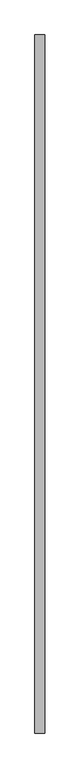
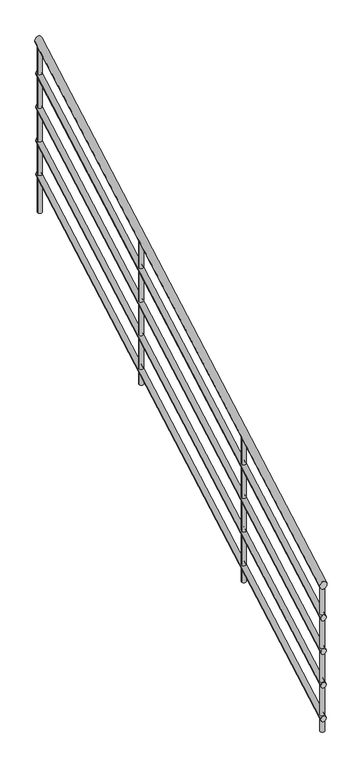
"""IFC4 building model written with IfcOpenShell, lengths in millimetres: railing geometry."""

from ifc_helpers import new_model, si_unit, frame, origin, place, context, project, spatial, circle_curve, ellipse_curve, source, transform, mapped, element, save
from ifc_brep_helpers import plane_surface, cylinder_surface, advanced_brep


def railing_831063ee(model_context):
    return source(origin(), model_context, "Body", "AdvancedBrep", [
        advanced_brep(
        [(-11223.5009188, -3280.1998683, 873.1230188), (-11263.5009188, -3280.1998683, 873.1230188), (-11223.5009188, -6057.2256927, -685.2103146), (-11263.5009188, -6057.2256927, -685.2103146)],
        [
            (0, 1, ellipse_curve(frame((-11243.5009188, -3280.1998683, 873.1230188), z_axis=(0.0, 1.0, 0.0), x_axis=(0.0, 0.0, 1.0)), 22.9337434, 20.0)),
            (1, 0, ellipse_curve(frame((-11243.5009188, -3280.1998683, 873.1230188), z_axis=(0.0, 1.0, 0.0), x_axis=(0.0, 0.0, 1.0)), 22.9337434, 20.0)),
            (2, 3, ellipse_curve(frame((-11243.5009188, -6057.2256927, -685.2103146), z_axis=(0.0, -1.0, 0.0), x_axis=(0.0, 0.0, 1.0)), 22.9337434, 20.0)),
            (3, 2, ellipse_curve(frame((-11243.5009188, -6057.2256927, -685.2103146), z_axis=(0.0, -1.0, 0.0), x_axis=(0.0, 0.0, 1.0)), 22.9337434, 20.0)),
            (0, 2),
            (3, 1),
        ],
        [
            plane_surface(frame((-11243.5009188, -3280.1998683, 896.0567621), z_axis=(0.0, 1.0, 0.0), x_axis=(0.0, 0.0, -1.0))),
            plane_surface(frame((-11243.5009188, -6057.2256927, -662.2765712), z_axis=(0.0, -1.0, 0.0), x_axis=(0.0, 0.0, -1.0))),
            cylinder_surface(frame((-11243.5009188, -3270.41251, 878.6152135), z_axis=(0.0, 0.8720774313473325, 0.4893679124489452), x_axis=(-1.0, 0.0, 0.0)), 20.0),
        ],
        [
            (0, [[1, 2]]),
            (1, [[3, 4]]),
            (2, [[-1, 5, -4, 6]]),
            (2, [[-2, -6, -3, -5]]),
        ],
    ),
        advanced_brep(
        [(-11228.5009188, -3280.1998683, 678.8564546), (-11258.5009188, -3280.1998683, 678.8564546), (-11228.5009188, -6057.2256927, -879.4768787), (-11258.5009188, -6057.2256927, -879.4768787)],
        [
            (0, 1, ellipse_curve(frame((-11243.5009188, -3280.1998683, 678.8564546), z_axis=(0.0, 1.0, 0.0), x_axis=(0.0, 0.0, 1.0)), 17.2003075, 15.0)),
            (1, 0, ellipse_curve(frame((-11243.5009188, -3280.1998683, 678.8564546), z_axis=(0.0, 1.0, 0.0), x_axis=(0.0, 0.0, 1.0)), 17.2003075, 15.0)),
            (2, 3, ellipse_curve(frame((-11243.5009188, -6057.2256927, -879.4768787), z_axis=(0.0, -1.0, 0.0), x_axis=(0.0, 0.0, 1.0)), 17.2003075, 15.0)),
            (3, 2, ellipse_curve(frame((-11243.5009188, -6057.2256927, -879.4768787), z_axis=(0.0, -1.0, 0.0), x_axis=(0.0, 0.0, 1.0)), 17.2003075, 15.0)),
            (0, 2),
            (3, 1),
        ],
        [
            plane_surface(frame((-11243.5009188, -3280.1998683, 696.0567621), z_axis=(0.0, 1.0, 0.0), x_axis=(0.0, 0.0, -1.0))),
            plane_surface(frame((-11243.5009188, -6057.2256927, -862.2765712), z_axis=(0.0, -1.0, 0.0), x_axis=(0.0, 0.0, -1.0))),
            cylinder_surface(frame((-11243.5009188, -3272.8593496, 682.9756007), z_axis=(0.0, 0.8720774313473325, 0.4893679124489452), x_axis=(-1.0, 0.0, 0.0)), 15.0),
        ],
        [
            (0, [[1, 2]]),
            (1, [[3, 4]]),
            (2, [[-1, 5, -4, 6]]),
            (2, [[-2, -6, -3, -5]]),
        ],
    ),
        advanced_brep(
        [(-11228.5009188, -3280.1998683, 478.8564546), (-11258.5009188, -3280.1998683, 478.8564546), (-11228.5009188, -6057.2256927, -1079.4768787), (-11258.5009188, -6057.2256927, -1079.4768787)],
        [
            (0, 1, ellipse_curve(frame((-11243.5009188, -3280.1998683, 478.8564546), z_axis=(0.0, 1.0, 0.0), x_axis=(0.0, 0.0, 1.0)), 17.2003075, 15.0)),
            (1, 0, ellipse_curve(frame((-11243.5009188, -3280.1998683, 478.8564546), z_axis=(0.0, 1.0, 0.0), x_axis=(0.0, 0.0, 1.0)), 17.2003075, 15.0)),
            (2, 3, ellipse_curve(frame((-11243.5009188, -6057.2256927, -1079.4768787), z_axis=(0.0, -1.0, 0.0), x_axis=(0.0, 0.0, 1.0)), 17.2003075, 15.0)),
            (3, 2, ellipse_curve(frame((-11243.5009188, -6057.2256927, -1079.4768787), z_axis=(0.0, -1.0, 0.0), x_axis=(0.0, 0.0, 1.0)), 17.2003075, 15.0)),
            (0, 2),
            (3, 1),
        ],
        [
            plane_surface(frame((-11243.5009188, -3280.1998683, 496.0567621), z_axis=(0.0, 1.0, 0.0), x_axis=(0.0, 0.0, -1.0))),
            plane_surface(frame((-11243.5009188, -6057.2256927, -1062.2765712), z_axis=(0.0, -1.0, 0.0), x_axis=(0.0, 0.0, -1.0))),
            cylinder_surface(frame((-11243.5009188, -3272.8593496, 482.9756007), z_axis=(0.0, 0.8720774313473325, 0.4893679124489452), x_axis=(-1.0, 0.0, 0.0)), 15.0),
        ],
        [
            (0, [[1, 2]]),
            (1, [[3, 4]]),
            (2, [[-1, 5, -4, 6]]),
            (2, [[-2, -6, -3, -5]]),
        ],
    ),
        advanced_brep(
        [(-11228.5009188, -3280.1998683, 278.8564546), (-11258.5009188, -3280.1998683, 278.8564546), (-11228.5009188, -6057.2256927, -1279.4768787), (-11258.5009188, -6057.2256927, -1279.4768787)],
        [
            (0, 1, ellipse_curve(frame((-11243.5009188, -3280.1998683, 278.8564546), z_axis=(0.0, 1.0, 0.0), x_axis=(0.0, 0.0, 1.0)), 17.2003075, 15.0)),
            (1, 0, ellipse_curve(frame((-11243.5009188, -3280.1998683, 278.8564546), z_axis=(0.0, 1.0, 0.0), x_axis=(0.0, 0.0, 1.0)), 17.2003075, 15.0)),
            (2, 3, ellipse_curve(frame((-11243.5009188, -6057.2256927, -1279.4768787), z_axis=(0.0, -1.0, 0.0), x_axis=(0.0, 0.0, 1.0)), 17.2003075, 15.0)),
            (3, 2, ellipse_curve(frame((-11243.5009188, -6057.2256927, -1279.4768787), z_axis=(0.0, -1.0, 0.0), x_axis=(0.0, 0.0, 1.0)), 17.2003075, 15.0)),
            (0, 2),
            (3, 1),
        ],
        [
            plane_surface(frame((-11243.5009188, -3280.1998683, 296.0567621), z_axis=(0.0, 1.0, 0.0), x_axis=(0.0, 0.0, -1.0))),
            plane_surface(frame((-11243.5009188, -6057.2256927, -1262.2765712), z_axis=(0.0, -1.0, 0.0), x_axis=(0.0, 0.0, -1.0))),
            cylinder_surface(frame((-11243.5009188, -3272.8593496, 282.9756007), z_axis=(0.0, 0.8720774313473325, 0.4893679124489452), x_axis=(-1.0, 0.0, 0.0)), 15.0),
        ],
        [
            (0, [[1, 2]]),
            (1, [[3, 4]]),
            (2, [[-1, 5, -4, 6]]),
            (2, [[-2, -6, -3, -5]]),
        ],
    ),
        advanced_brep(
        [(-11228.5009188, -3280.1998683, 78.8564546), (-11258.5009188, -3280.1998683, 78.8564546), (-11228.5009188, -6057.2256927, -1479.4768787), (-11258.5009188, -6057.2256927, -1479.4768787)],
        [
            (0, 1, ellipse_curve(frame((-11243.5009188, -3280.1998683, 78.8564546), z_axis=(0.0, 1.0, 0.0), x_axis=(0.0, 0.0, 1.0)), 17.2003075, 15.0)),
            (1, 0, ellipse_curve(frame((-11243.5009188, -3280.1998683, 78.8564546), z_axis=(0.0, 1.0, 0.0), x_axis=(0.0, 0.0, 1.0)), 17.2003075, 15.0)),
            (2, 3, ellipse_curve(frame((-11243.5009188, -6057.2256927, -1479.4768787), z_axis=(0.0, -1.0, 0.0), x_axis=(0.0, 0.0, 1.0)), 17.2003075, 15.0)),
            (3, 2, ellipse_curve(frame((-11243.5009188, -6057.2256927, -1479.4768787), z_axis=(0.0, -1.0, 0.0), x_axis=(0.0, 0.0, 1.0)), 17.2003075, 15.0)),
            (0, 2),
            (3, 1),
        ],
        [
            plane_surface(frame((-11243.5009188, -3280.1998683, 96.0567621), z_axis=(0.0, 1.0, 0.0), x_axis=(0.0, 0.0, -1.0))),
            plane_surface(frame((-11243.5009188, -6057.2256927, -1462.2765712), z_axis=(0.0, -1.0, 0.0), x_axis=(0.0, 0.0, -1.0))),
            cylinder_surface(frame((-11243.5009188, -3272.8593496, 82.9756007), z_axis=(0.0, 0.8720774313473325, 0.4893679124489453), x_axis=(-1.0, 0.0, 0.0)), 15.0),
        ],
        [
            (0, [[1, 2]]),
            (1, [[3, 4]]),
            (2, [[-1, 5, -4, 6]]),
            (2, [[-2, -6, -3, -5]]),
        ],
    ),
        advanced_brep(
        [(-11256.0009188, -5280.1998683, -272.1145358), (-11256.0009188, -5280.1998683, -1133.3333333), (-11231.0009188, -5280.1998683, -1133.3333333), (-11231.0009188, -5280.1998683, -272.1145358)],
        [
            (0, 1),
            (1, 2, circle_curve(frame((-11243.5009188, -5280.1998683, -1133.3333333), z_axis=(0.0, 0.0, 1.0), x_axis=(1.0, 0.0, 0.0)), 12.5)),
            (2, 3),
            (3, 0, ellipse_curve(frame((-11243.5009188, -5280.1998683, -272.1145358), z_axis=(0.0, 0.4893679124489444, -0.8720774313473331), x_axis=(0.0, 0.8720774313473331, 0.48936791244894423)), 14.3335896, 12.5)),
            (0, 3, ellipse_curve(frame((-11243.5009188, -5280.1998683, -272.1145358), z_axis=(0.0, 0.4893679124489444, -0.8720774313473331), x_axis=(0.0, 0.8720774313473331, 0.48936791244894423)), 14.3335896, 12.5)),
            (2, 1, circle_curve(frame((-11243.5009188, -5280.1998683, -1133.3333333), z_axis=(0.0, 0.0, 1.0), x_axis=(1.0, 0.0, 0.0)), 12.5)),
        ],
        [
            cylinder_surface(frame((-11243.5009188, -5280.1998683, -1233.3333333), z_axis=(0.0, 0.0, 1.0), x_axis=(1.0, 0.0, 0.0)), 12.5),
            plane_surface(frame((-11218.5009188, -5305.1998683, -286.1433335), z_axis=(0.0, -0.4893679124489444, 0.8720774313473331), x_axis=(-1.0, 0.0, 0.0))),
            plane_surface(frame((-11218.5009188, -5255.1998683, -1133.3333333), z_axis=(0.0, 0.0, -1.0), x_axis=(-1.0, 0.0, 0.0))),
        ],
        [
            (0, [[1, 2, 3, 4]]),
            (0, [[-1, 5, -3, 6]]),
            (1, [[-4, -5]]),
            (2, [[-2, -6]]),
        ],
    ),
        advanced_brep(
        [(-11256.0009188, -4280.1998683, 289.0373698), (-11256.0009188, -4280.1998683, -565.0951435), (-11231.0009188, -4280.1998683, -565.0951435), (-11231.0009188, -4280.1998683, 289.0373698)],
        [
            (0, 1),
            (1, 2, circle_curve(frame((-11243.5009188, -4280.1998683, -565.0951435), z_axis=(0.0, 0.0, 1.0), x_axis=(1.0, 0.0, 0.0)), 12.5)),
            (2, 3),
            (3, 0, ellipse_curve(frame((-11243.5009188, -4280.1998683, 289.0373698), z_axis=(0.0, 0.4893679124489462, -0.8720774313473321), x_axis=(0.0, 0.8720774313473322, 0.48936791244894595)), 14.3335896, 12.5)),
            (0, 3, ellipse_curve(frame((-11243.5009188, -4280.1998683, 289.0373698), z_axis=(0.0, 0.4893679124489462, -0.8720774313473321), x_axis=(0.0, 0.8720774313473322, 0.48936791244894595)), 14.3335896, 12.5)),
            (2, 1, circle_curve(frame((-11243.5009188, -4280.1998683, -565.0951435), z_axis=(0.0, 0.0, 1.0), x_axis=(1.0, 0.0, 0.0)), 12.5)),
        ],
        [
            cylinder_surface(frame((-11243.5009188, -4280.1998683, -665.0951435), z_axis=(0.0, 0.0, 1.0), x_axis=(1.0, 0.0, 0.0)), 12.5),
            plane_surface(frame((-11218.5009188, -4305.1998683, 275.0085722), z_axis=(0.0, -0.4893679124489462, 0.8720774313473321), x_axis=(-1.0, 0.0, 0.0))),
            plane_surface(frame((-11218.5009188, -4255.1998683, -565.0951435), z_axis=(0.0, 0.0, -1.0), x_axis=(-1.0, 0.0, 0.0))),
        ],
        [
            (0, [[1, 2, 3, 4]]),
            (0, [[-1, 5, -3, 6]]),
            (1, [[-4, -5]]),
            (2, [[-2, -6]]),
        ],
    ),
        advanced_brep(
        [(-11256.0009188, -6044.7256927, -701.1296591), (-11256.0009188, -6044.7256927, -1558.3333333), (-11231.0009188, -6044.7256927, -1558.3333333), (-11231.0009188, -6044.7256927, -701.1296591)],
        [
            (0, 1),
            (1, 2, circle_curve(frame((-11243.5009188, -6044.7256927, -1558.3333333), z_axis=(0.0, 0.0, 1.0), x_axis=(1.0, 0.0, 0.0)), 12.5)),
            (2, 3),
            (3, 0, ellipse_curve(frame((-11243.5009188, -6044.7256927, -701.1296591), z_axis=(0.0, 0.4893679124489444, -0.8720774313473331), x_axis=(0.0, 0.8720774313473331, 0.48936791244894423)), 14.3335896, 12.5)),
            (0, 3, ellipse_curve(frame((-11243.5009188, -6044.7256927, -701.1296591), z_axis=(0.0, 0.4893679124489444, -0.8720774313473331), x_axis=(0.0, 0.8720774313473331, 0.48936791244894423)), 14.3335896, 12.5)),
            (2, 1, circle_curve(frame((-11243.5009188, -6044.7256927, -1558.3333333), z_axis=(0.0, 0.0, 1.0), x_axis=(1.0, 0.0, 0.0)), 12.5)),
        ],
        [
            cylinder_surface(frame((-11243.5009188, -6044.7256927, -1658.3333333), z_axis=(0.0, 0.0, 1.0), x_axis=(1.0, 0.0, 0.0)), 12.5),
            plane_surface(frame((-11218.5009188, -6069.7256927, -715.1584567), z_axis=(0.0, -0.4893679124489444, 0.8720774313473331), x_axis=(-1.0, 0.0, 0.0))),
            plane_surface(frame((-11218.5009188, -6019.7256927, -1558.3333333), z_axis=(0.0, 0.0, -1.0), x_axis=(-1.0, 0.0, 0.0))),
        ],
        [
            (0, [[1, 2, 3, 4]]),
            (0, [[-1, 5, -3, 6]]),
            (1, [[-4, -5]]),
            (2, [[-2, -6]]),
        ],
    ),
        advanced_brep(
        [(-11256.0009188, -3292.6998683, 843.1748766), (-11256.0009188, -3292.6998683, -141.6666667), (-11231.0009188, -3292.6998683, -141.6666667), (-11231.0009188, -3292.6998683, 843.1748766)],
        [
            (0, 1),
            (1, 2, circle_curve(frame((-11243.5009188, -3292.6998683, -141.6666667), z_axis=(0.0, 0.0, 1.0), x_axis=(1.0, 0.0, 0.0)), 12.5)),
            (2, 3),
            (3, 0, ellipse_curve(frame((-11243.5009188, -3292.6998683, 843.1748766), z_axis=(0.0, 0.4893679124489444, -0.8720774313473331), x_axis=(0.0, 0.8720774313473331, 0.48936791244894423)), 14.3335896, 12.5)),
            (0, 3, ellipse_curve(frame((-11243.5009188, -3292.6998683, 843.1748766), z_axis=(0.0, 0.4893679124489444, -0.8720774313473331), x_axis=(0.0, 0.8720774313473331, 0.48936791244894423)), 14.3335896, 12.5)),
            (2, 1, circle_curve(frame((-11243.5009188, -3292.6998683, -141.6666667), z_axis=(0.0, 0.0, 1.0), x_axis=(1.0, 0.0, 0.0)), 12.5)),
        ],
        [
            cylinder_surface(frame((-11243.5009188, -3292.6998683, -241.6666667), z_axis=(0.0, 0.0, 1.0), x_axis=(1.0, 0.0, 0.0)), 12.5),
            plane_surface(frame((-11218.5009188, -3317.6998683, 829.146079), z_axis=(0.0, -0.4893679124489444, 0.8720774313473331), x_axis=(-1.0, 0.0, 0.0))),
            plane_surface(frame((-11218.5009188, -3267.6998683, -141.6666667), z_axis=(0.0, 0.0, -1.0), x_axis=(-1.0, 0.0, 0.0))),
        ],
        [
            (0, [[1, 2, 3, 4]]),
            (0, [[-1, 5, -3, 6]]),
            (1, [[-4, -5]]),
            (2, [[-2, -6]]),
        ],
    ),
    ])


if __name__ == "__main__":
    model = new_model("IFC4")
    model_context = context("Model", 3, world=origin())
    ifc_project = project(units=[si_unit("LENGTHUNIT", "METRE", prefix="MILLI")], contexts=[model_context])
    site = spatial("IfcSite", under=ifc_project)
    building = spatial("IfcBuilding", under=site)
    placement = place(None, origin())
    railing_shape = railing_831063ee(model_context)
    element("IfcRailing", 1, at=placement, inside=building, context=model_context, shape_type="MappedRepresentation", body=[
        mapped(railing_shape, transform((0.0, 0.0, 0.0), x_axis=(1.0, 0.0, 0.0), y_axis=(0.0, 1.0, 0.0), z_axis=(0.0, 0.0, 1.0))),
    ])
    save(model, "model.ifc")
